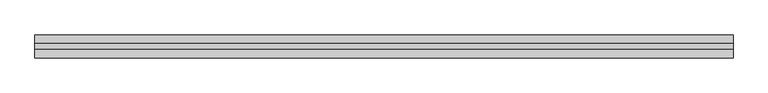
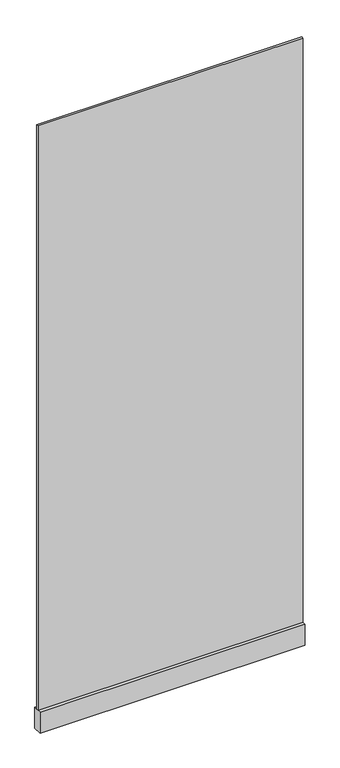
"""IFC4 building model written with IfcOpenShell, lengths in millimetres: plate geometry."""

from ifc_helpers import new_model, si_unit, frame, origin, origin_with_axes, place, context, project, spatial, polyline, outline, extrude, source, transform, mapped, element, save


def plate_a40ee780(model_context):
    return source(origin(), model_context, "Body", "SweptSolid", [
        extrude(outline(polyline([(-600.9309555, -5.0), (-600.9309555, 5.0), (600.9309555, 5.0), (600.9309555, -5.0), (-600.9309555, -5.0)])), frame((0.0, 0.0, 100.0), z_axis=(0.0, 0.0, 1.0), x_axis=(1.0, 0.0, 0.0)), (0.0, 0.0, 1.0), 2800.0),
        extrude(outline(polyline([(-600.9309555, -20.0), (-600.9309555, 20.0), (600.9309555, 20.0), (600.9309555, -20.0), (-600.9309555, -20.0)])), origin_with_axes(), (0.0, 0.0, 1.0), 100.0),
    ])


if __name__ == "__main__":
    model = new_model("IFC4")
    model_context = context("Model", 3, world=origin())
    ifc_project = project(units=[si_unit("LENGTHUNIT", "METRE", prefix="MILLI")], contexts=[model_context])
    site = spatial("IfcSite", under=ifc_project)
    building = spatial("IfcBuilding", under=site)
    placement = place(None, origin())
    plate_shape = plate_a40ee780(model_context)
    element("IfcPlate", 1, at=placement, inside=building, context=model_context, shape_type="MappedRepresentation", body=[
        mapped(plate_shape, transform((0.0, 0.0, 0.0), x_axis=(1.0, 0.0, 0.0), y_axis=(0.0, 1.0, 0.0), z_axis=(0.0, 0.0, 1.0))),
    ])
    save(model, "model.ifc")
